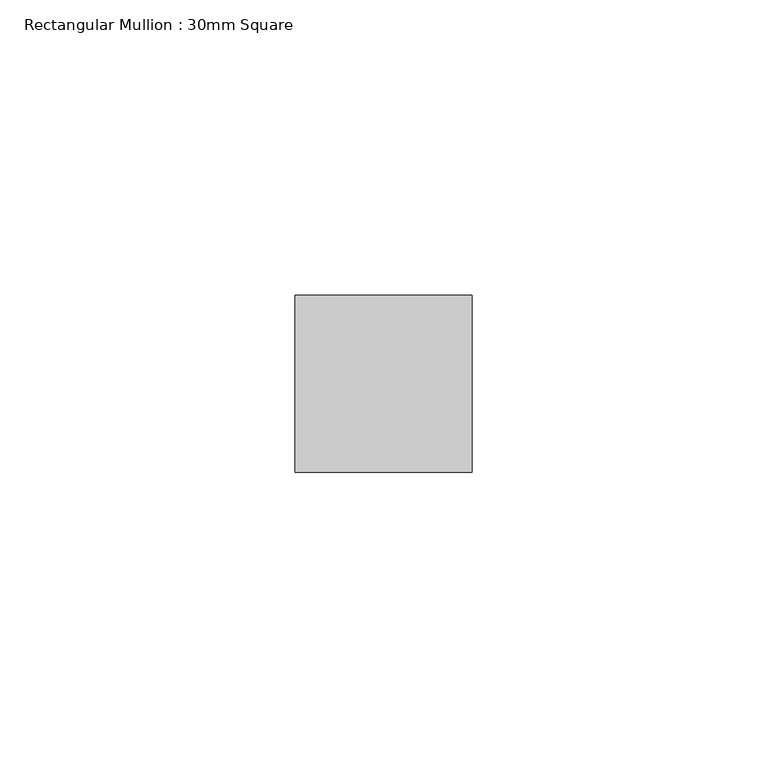
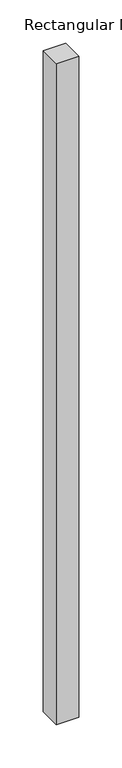
"""IFC4 building model written with IfcOpenShell, lengths in millimetres: member geometry, Rectangular Mullion : 30mm Square."""

import ifcopenshell
import ifcopenshell.guid

model = None  # the IFC model being written
_history = None  # IfcOwnerHistory: only IFC2X3 demands one
_inside = {}  # id of a spatial element -> (the spatial element, [elements in it])
_under = {}  # id of a project, library or spatial element -> (it, [spatial elements below it])
_declared = {}  # id of a project -> (the project, [libraries it declares])
_typed = {}  # id of a type object -> (the type object, [elements of that type])
_made_of = {}  # id of a material, layer set ... -> (it, [elements and type objects made of it])


def new_model(schema):
    """Start an empty IFC model of exactly this schema.

    Asked for "IFC4X3", IfcOpenShell would pick the latest addendum, in which some entities
    have other attributes; the version numbers below select the first issue.
    IFC2X3 requires an IfcOwnerHistory on every rooted entity: one is made here for all.
    """
    global model, _history
    if schema == "IFC4X3":
        model = ifcopenshell.file(schema_version=(4, 3, 0, 0))
    else:
        model = ifcopenshell.file(schema=schema)
    _inside.clear()
    _under.clear()
    _declared.clear()
    _typed.clear()
    _made_of.clear()
    _history = None
    if model.schema == "IFC2X3":
        org = make("IfcOrganization", Name="unknown")
        user = make(
            "IfcPersonAndOrganization",
            ThePerson=make("IfcPerson", FamilyName="unknown"),
            TheOrganization=org,
        )
        app = make(
            "IfcApplication",
            ApplicationDeveloper=org,
            Version="unknown",
            ApplicationFullName="unknown",
            ApplicationIdentifier="unknown",
        )
        _history = make(
            "IfcOwnerHistory",
            OwningUser=user,
            OwningApplication=app,
            ChangeAction="ADDED",
            CreationDate=0,
        )
    return model


def make(cls, **values):
    """One entity of the class cls with the attributes given. An attribute that is None is left unset."""
    return model.create_entity(
        cls, **{name: value for name, value in values.items() if value is not None}
    )


def rooted(cls, **values):
    """An entity with a GlobalId (a new one), such as an element, a storey or a relation."""
    return make(cls, GlobalId=ifcopenshell.guid.new(), OwnerHistory=_history, **values)


def si_unit(unit_type, name, prefix=None):
    """IfcSIUnit, for example si_unit("LENGTHUNIT", "METRE", prefix="MILLI")."""
    return make("IfcSIUnit", UnitType=unit_type, Prefix=prefix, Name=name)


def assignment(units):
    """IfcUnitAssignment: the units of a project."""
    return None if units is None else make("IfcUnitAssignment", Units=units)


def point(xyz):
    """IfcCartesianPoint."""
    return None if xyz is None else make("IfcCartesianPoint", Coordinates=xyz)


def direction(xyz):
    """IfcDirection."""
    return None if xyz is None else make("IfcDirection", DirectionRatios=xyz)


def frame(location, z_axis=None, x_axis=None):
    """IfcAxis2Placement3D, a coordinate frame: its origin and axes. An axis left out is left unset."""
    return make(
        "IfcAxis2Placement3D",
        Location=point(location),
        Axis=direction(z_axis),
        RefDirection=direction(x_axis),
    )


def origin():
    """The frame at (0, 0, 0) with its axes left unset."""
    return frame((0.0, 0.0, 0.0))


def place(relative_to, where):
    """IfcLocalPlacement: puts the frame where relative to a parent placement (None: the world)."""
    return make(
        "IfcLocalPlacement", PlacementRelTo=relative_to, RelativePlacement=where
    )


def context(
    kind, dimensions, precision=None, world=None, true_north=None, identifier=None
):
    """IfcGeometricRepresentationContext, for example the 3D "Model" context."""
    return make(
        "IfcGeometricRepresentationContext",
        ContextIdentifier=identifier,
        ContextType=kind,
        CoordinateSpaceDimension=dimensions,
        Precision=precision,
        WorldCoordinateSystem=world,
        TrueNorth=true_north,
    )


def project(units=None, contexts=None):
    """IfcProject with its units and contexts."""
    return rooted(
        "IfcProject",
        Name="project",
        RepresentationContexts=contexts,
        UnitsInContext=assignment(units),
    )


def spatial(cls, under=None, at=None, **own):
    """A site, building, storey or space (cls), placed at a placement, below another one or the project."""
    s = rooted(cls, ObjectPlacement=at, **own)
    if under is not None:
        _under.setdefault(under.id(), (under, []))[1].append(s)
    return s


def polyline(points):
    """IfcPolyline through the points."""
    return make("IfcPolyline", Points=[point(p) for p in points])


def outline(outer, holes=None, kind="AREA"):
    """IfcArbitraryClosedProfileDef: a profile drawn as a closed curve; with holes, ...WithVoids."""
    if holes is None:
        return make("IfcArbitraryClosedProfileDef", ProfileType=kind, OuterCurve=outer)
    return make(
        "IfcArbitraryProfileDefWithVoids",
        ProfileType=kind,
        OuterCurve=outer,
        InnerCurves=holes,
    )


def extrude(swept, where, along, depth):
    """IfcExtrudedAreaSolid: the profile swept, set in the frame where, extruded along a direction by depth."""
    return make(
        "IfcExtrudedAreaSolid",
        SweptArea=swept,
        Position=where,
        ExtrudedDirection=direction(along),
        Depth=depth,
    )


def shape(context_of_items, identifier, shape_type, items):
    """IfcShapeRepresentation: the items that make up one representation, for example the "Body"."""
    return make(
        "IfcShapeRepresentation",
        ContextOfItems=context_of_items,
        RepresentationIdentifier=identifier,
        RepresentationType=shape_type,
        Items=items,
    )


def source(mapping_origin, context_of_items, identifier, shape_type, items):
    """IfcRepresentationMap: a shape defined once, which mapped items show again and again."""
    return make(
        "IfcRepresentationMap",
        MappingOrigin=mapping_origin,
        MappedRepresentation=shape(context_of_items, identifier, shape_type, items),
    )


def transform(
    local_origin,
    x_axis=None,
    y_axis=None,
    z_axis=None,
    scale=None,
    scale2=None,
    scale3=None,
    uniform=True,
):
    """IfcCartesianTransformationOperator3D, or its non-uniform kind. x_axis, y_axis, z_axis: its Axis1, 2, 3."""
    if uniform:
        return make(
            "IfcCartesianTransformationOperator3D",
            Axis1=direction(x_axis),
            Axis2=direction(y_axis),
            LocalOrigin=point(local_origin),
            Scale=scale,
            Axis3=direction(z_axis),
        )
    return make(
        "IfcCartesianTransformationOperator3DnonUniform",
        Axis1=direction(x_axis),
        Axis2=direction(y_axis),
        LocalOrigin=point(local_origin),
        Scale=scale,
        Axis3=direction(z_axis),
        Scale2=scale2,
        Scale3=scale3,
    )


def mapped(mapping_source, mapping_target):
    """IfcMappedItem: shows the shape of a source again, moved by a transform."""
    return make(
        "IfcMappedItem", MappingSource=mapping_source, MappingTarget=mapping_target
    )


def made_of(thing, what):
    """Note that an element or type object is made of a material, layer set ...; save() writes the relation."""
    if what is not None:
        _made_of.setdefault(what.id(), (what, []))[1].append(thing)
    return thing


def element(
    cls,
    number,
    at=None,
    inside=None,
    cuts=None,
    type_object=None,
    material=None,
    context=None,
    identifier="Body",
    shape_type=None,
    held_by="IfcProductDefinitionShape",
    body=None,
    shapes=None,
    **own,
):
    """One element of the class cls, such as IfcWall. Its Tag is "e" and its number.

    at: its placement. inside: the storey or other place that contains it. cuts: it is an
    opening in that element (IfcRelVoidsElement). A single representation is given by context,
    identifier, shape_type and body (its items); several are given by shapes. held_by: the class
    of the entity that holds the representations. save() writes the other relations.
    """
    e = rooted(cls, Tag="e%d" % number, ObjectPlacement=at, **own)
    if body is not None:
        shapes = [shape(context, identifier, shape_type, body)]
    if shapes is not None:
        e.Representation = make(held_by, Representations=shapes)
    if inside is not None:
        _inside.setdefault(inside.id(), (inside, []))[1].append(e)
    if cuts is not None:
        rooted(
            "IfcRelVoidsElement", RelatingBuildingElement=cuts, RelatedOpeningElement=e
        )
    if type_object is not None:
        _typed.setdefault(type_object.id(), (type_object, []))[1].append(e)
    return made_of(e, material)


def aggregate(whole, parts):
    """IfcRelAggregates: a whole, such as a stair, and the parts it consists of."""
    return rooted("IfcRelAggregates", RelatingObject=whole, RelatedObjects=parts)


def save(model, path):
    """Write the relations noted so far, then the file.

    IfcRelAggregates (storeys below a building ...), IfcRelContainedInSpatialStructure (elements
    in a storey), IfcRelDefinesByType, IfcRelAssociatesMaterial and IfcRelDeclares: one each for
    every whole, place, type object, material and project.
    """
    for whole, parts in _under.values():
        aggregate(whole, parts)
    for where, things in _inside.values():
        rooted(
            "IfcRelContainedInSpatialStructure",
            RelatedElements=things,
            RelatingStructure=where,
        )
    for kind, things in _typed.values():
        rooted("IfcRelDefinesByType", RelatedObjects=things, RelatingType=kind)
    for what, things in _made_of.values():
        rooted("IfcRelAssociatesMaterial", RelatedObjects=things, RelatingMaterial=what)
    for by, libraries in _declared.values():
        rooted("IfcRelDeclares", RelatingContext=by, RelatedDefinitions=libraries)
    model.write(path)


def rectangular_mullion_30mm_square_492d2f29(model_context):
    return source(origin(), model_context, "Body", "SweptSolid", [
        extrude(outline(polyline([(15.0, 15.0), (15.0, -15.0), (-15.0, -15.0), (-15.0, 15.0), (15.0, 15.0)])), frame((0.0, 0.0, -933.5619948), z_axis=(0.0, 0.0, 1.0), x_axis=(1.0, 0.0, 0.0)), (0.0, 0.0, 1.0), 933.5619948),
    ])


if __name__ == "__main__":
    model = new_model("IFC4")
    model_context = context("Model", 3, world=origin())
    ifc_project = project(units=[si_unit("LENGTHUNIT", "METRE", prefix="MILLI")], contexts=[model_context])
    site = spatial("IfcSite", under=ifc_project)
    building = spatial("IfcBuilding", under=site)
    placement = place(None, origin())
    rectangular_mullion_30mm_square_shape = rectangular_mullion_30mm_square_492d2f29(model_context)
    element("IfcMember", 1, ObjectType="Rectangular Mullion : 30mm Square", at=placement, inside=building, context=model_context, shape_type="MappedRepresentation", body=[
        mapped(rectangular_mullion_30mm_square_shape, transform((0.0, 0.0, 0.0), x_axis=(1.0, 0.0, 0.0), y_axis=(0.0, 1.0, 0.0), z_axis=(0.0, 0.0, 1.0))),
    ])
    save(model, "model.ifc")
